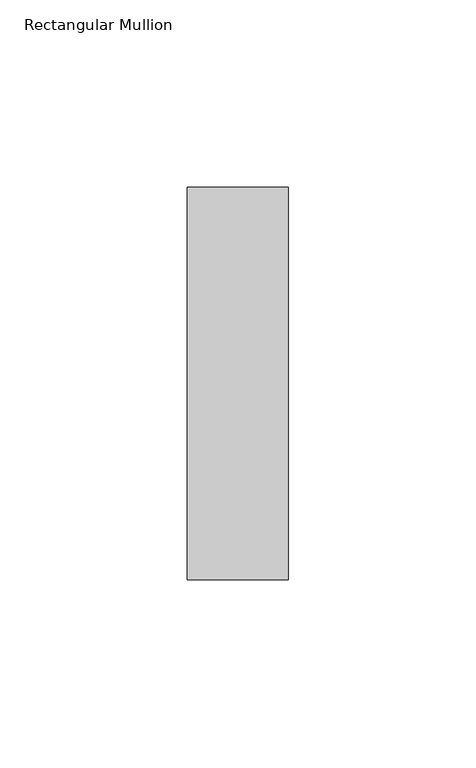
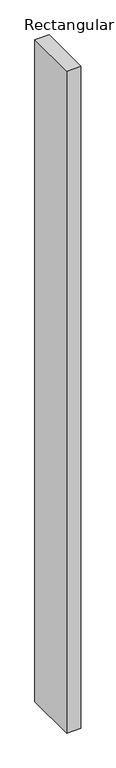
"""IFC4 building model written with IfcOpenShell, lengths in millimetres: member geometry, Rectangular Mullion."""

from ifc_helpers import new_model, si_unit, frame, origin, place, context, project, spatial, polyline, outline, extrude, source, transform, mapped, element, save


def rectangular_mullion_a048ee14(model_context):
    return source(origin(), model_context, "Body", "SweptSolid", [
        extrude(outline(polyline([(-27.0, 52.3975), (0.0, 52.3975), (0.0, -52.3975), (-27.0, -52.3975), (-27.0, 52.3975)])), frame((0.0, 0.0, -1336.1695379), z_axis=(0.0, 0.0, 1.0), x_axis=(1.0, 0.0, 0.0)), (0.0, 0.0, 1.0), 1336.1695379),
    ])


if __name__ == "__main__":
    model = new_model("IFC4")
    model_context = context("Model", 3, world=origin())
    ifc_project = project(units=[si_unit("LENGTHUNIT", "METRE", prefix="MILLI")], contexts=[model_context])
    site = spatial("IfcSite", under=ifc_project)
    building = spatial("IfcBuilding", under=site)
    placement = place(None, origin())
    rectangular_mullion_shape = rectangular_mullion_a048ee14(model_context)
    element("IfcMember", 1, ObjectType="Rectangular Mullion", at=placement, inside=building, context=model_context, shape_type="MappedRepresentation", body=[
        mapped(rectangular_mullion_shape, transform((0.0, 0.0, 0.0), x_axis=(1.0, 0.0, 0.0), y_axis=(0.0, 1.0, 0.0), z_axis=(0.0, 0.0, 1.0))),
    ])
    save(model, "model.ifc")
